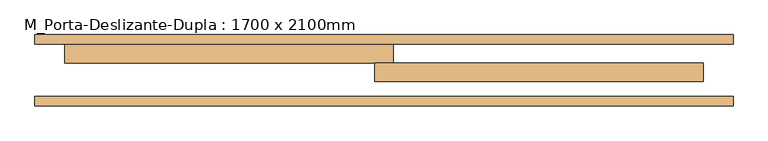
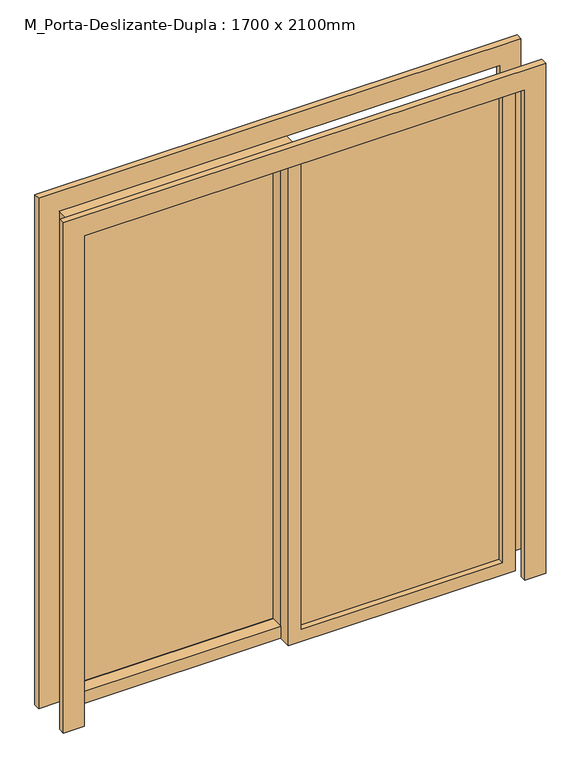
"""IFC4 building model written with IfcOpenShell, lengths in millimetres: door geometry, M_Porta-Deslizante-Dupla : 1700 x 2100mm."""

from ifc_helpers import new_model, si_unit, frame, origin, place, context, project, spatial, polyline, outline, extrude, source, transform, mapped, element, save


def m_porta_deslizante_dupla_1700_x_2100mm_c50e06b5(model_context):
    return source(origin(), model_context, "Body", "SweptSolid", [
        extrude(outline(polyline([(0.0, -930.0), (0.0, -850.0), (2000.0, -850.0), (2000.0, 850.0), (0.0, 850.0), (0.0, 930.0), (2080.0, 930.0), (2080.0, -930.0), (0.0, -930.0)])), frame((0.0, 32.0, 0.0), z_axis=(0.0, 1.0, 0.0), x_axis=(0.0, 0.0, 1.0)), (0.0, 0.0, 1.0), 25.0),
        extrude(outline(polyline([(0.0, 930.0), (2080.0, 930.0), (2080.0, -930.0), (0.0, -930.0), (0.0, -850.0), (2000.0, -850.0), (2000.0, 850.0), (0.0, 850.0), (0.0, 930.0)])), frame((0.0, 197.0, 0.0), z_axis=(0.0, 1.0, 0.0), x_axis=(0.0, 0.0, 1.0)), (0.0, 0.0, 1.0), 25.0),
        extrude(outline(polyline([(2000.0, -25.0), (0.0, -25.0), (0.0, 850.0), (2000.0, 850.0), (2000.0, -25.0)]), holes=[polyline([(1950.0, 25.0), (1950.0, 800.0), (50.0, 800.0), (50.0, 25.0), (1950.0, 25.0)])]), frame((0.0, 97.0, 0.0), z_axis=(0.0, 1.0, 0.0), x_axis=(0.0, 0.0, 1.0)), (0.0, 0.0, 1.0), 50.0),
        extrude(outline(polyline([(2000.0, 25.0), (2000.0, -850.0), (0.0, -850.0), (0.0, 25.0), (2000.0, 25.0)]), holes=[polyline([(1950.0, -25.0), (50.0, -25.0), (50.0, -800.0), (1950.0, -800.0), (1950.0, -25.0)])]), frame((0.0, 147.0, 0.0), z_axis=(0.0, 1.0, 0.0), x_axis=(0.0, 0.0, 1.0)), (0.0, 0.0, 1.0), 50.0),
        extrude(outline(polyline([(25.0, 125.175), (800.0, 125.175), (800.0, 118.825), (25.0, 118.825), (25.0, 125.175)])), frame((0.0, 0.0, 50.0), z_axis=(0.0, 0.0, 1.0), x_axis=(1.0, 0.0, 0.0)), (0.0, 0.0, 1.0), 1900.0),
        extrude(outline(polyline([(-25.0, 200.025), (-800.0, 200.025), (-800.0, 206.375), (-25.0, 206.375), (-25.0, 200.025)])), frame((0.0, 0.0, 50.0), z_axis=(0.0, 0.0, 1.0), x_axis=(1.0, 0.0, 0.0)), (0.0, 0.0, 1.0), 1900.0),
    ])


if __name__ == "__main__":
    model = new_model("IFC4")
    model_context = context("Model", 3, world=origin())
    ifc_project = project(units=[si_unit("LENGTHUNIT", "METRE", prefix="MILLI")], contexts=[model_context])
    site = spatial("IfcSite", under=ifc_project)
    building = spatial("IfcBuilding", under=site)
    placement = place(None, origin())
    m_porta_deslizante_dupla_1700_x_2100mm_shape = m_porta_deslizante_dupla_1700_x_2100mm_c50e06b5(model_context)
    element("IfcDoor", 1, ObjectType="M_Porta-Deslizante-Dupla : 1700 x 2100mm", at=placement, inside=building, context=model_context, shape_type="MappedRepresentation", body=[
        mapped(m_porta_deslizante_dupla_1700_x_2100mm_shape, transform((0.0, 0.0, 0.0), x_axis=(1.0, 0.0, 0.0), y_axis=(0.0, 1.0, 0.0), z_axis=(0.0, 0.0, 1.0))),
    ])
    save(model, "model.ifc")
